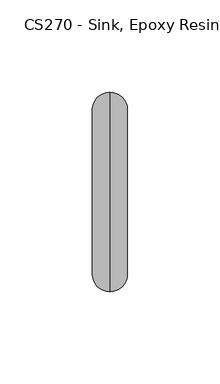
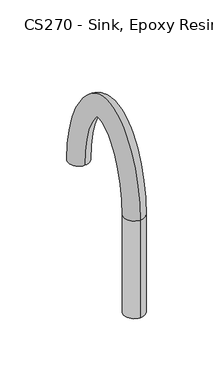
"""IFC4 building model written with IfcOpenShell, lengths in millimetres: proxy geometry, CS270 - Sink, Epoxy Resin, 11x18x15 ID : CS270 - Sink, Epoxy Resin, 11x18x15 ID."""

from ifc_helpers import new_model, si_unit, frame, origin, place, context, project, spatial, circle_curve, source, transform, mapped, element, save
from ifc_brep_helpers import plane_surface, cylinder_surface, spline_curve, spline_surface, advanced_brep


def cs270_sink_epoxy_resin_11x18x15_id_cs270_sink_epoxy_resin_8ce438ac(model_context):
    return source(origin(), model_context, "Body", "AdvancedBrep", [
        advanced_brep(
        [(0.0, -223.0285319, 893.7625), (0.0, -242.0785319, 893.7625), (0.0, -242.0785319, 989.0125), (0.0, -223.0285319, 989.0125), (0.0, -153.1785319, 989.0125), (0.0, -134.1285319, 989.0125)],
        [
            (0, 1, circle_curve(frame((0.0, -232.5535319, 893.7625), z_axis=(0.0, 0.0, -1.0), x_axis=(0.0, -1.0, 0.0)), 9.525)),
            (1, 0, circle_curve(frame((0.0, -232.5535319, 893.7625), z_axis=(0.0, 0.0, -1.0), x_axis=(0.0, -1.0, 0.0)), 9.525)),
            (1, 2),
            (2, 3, circle_curve(frame((0.0, -232.5535319, 989.0125), z_axis=(0.0, 0.0, -1.0), x_axis=(0.0, -1.0, 0.0)), 9.525)),
            (3, 0),
            (3, 2, circle_curve(frame((0.0, -232.5535319, 989.0125), z_axis=(0.0, 0.0, -1.0), x_axis=(0.0, -1.0, 0.0)), 9.525)),
            (4, 5, spline_curve(3, [(0.0, -153.1785319, 989.0125), (-0.623409792, -153.1785319, 989.0125), (-1.246782915, -153.117081977, 989.0125), (-2.469687685, -152.873941423, 989.0125), (-3.06921934, -152.692250748, 989.0125), (-4.796740421, -151.975951704, 989.0125), (-5.853656058, -151.270116179, 989.0125), (-7.616728142, -149.507331821, 989.0125), (-8.322884533, -148.450383046, 989.0125), (-9.277020467, -146.146800154, 989.0125), (-9.525, -144.900166021, 989.0125), (-9.525, -142.406897779, 989.0125), (-9.277020467, -141.160263646, 989.0125), (-8.322884533, -138.856680754, 989.0125), (-7.616728142, -137.799731979, 989.0125), (-5.853656058, -136.036947621, 989.0125), (-4.796740421, -135.331111996, 989.0125), (-3.06921934, -134.614812952, 989.0125), (-2.469687685, -134.433122377, 989.0125), (-1.246782915, -134.189981823, 989.0125), (-0.623409792, -134.1285319, 989.0125), (0.0, -134.1285319, 989.0125)], [4, 2, 2, 2, 2, 2, 2, 2, 2, 2, 4], [0.0, 0.0625, 0.125, 0.25, 0.375, 0.5, 0.625, 0.75, 0.875, 0.9375, 1.0])),
            (5, 4, spline_curve(3, [(0.0, -134.1285319, 989.0125), (0.623409792, -134.1285319, 989.0125), (1.246782915, -134.189981823, 989.0125), (2.469687685, -134.433122377, 989.0125), (3.06921934, -134.614812952, 989.0125), (4.796740421, -135.331111996, 989.0125), (5.853656058, -136.036947621, 989.0125), (7.616728142, -137.799731979, 989.0125), (8.322884533, -138.856680754, 989.0125), (9.277020467, -141.160263646, 989.0125), (9.525, -142.406897779, 989.0125), (9.525, -144.900166021, 989.0125), (9.277020467, -146.146800154, 989.0125), (8.322884533, -148.450383046, 989.0125), (7.616728142, -149.507331821, 989.0125), (5.853656058, -151.270116179, 989.0125), (4.796740421, -151.975951704, 989.0125), (3.06921934, -152.692250748, 989.0125), (2.469687685, -152.873941423, 989.0125), (1.246782915, -153.117081977, 989.0125), (0.623409792, -153.1785319, 989.0125), (0.0, -153.1785319, 989.0125)], [4, 2, 2, 2, 2, 2, 2, 2, 2, 2, 4], [0.0, 0.0625, 0.125, 0.25, 0.375, 0.5, 0.625, 0.75, 0.875, 0.9375, 1.0])),
            (2, 5, spline_curve(3, [(0.0, -242.0785319, 989.0125), (0.0, -242.0785319, 999.714368099), (0.0, -240.842293967, 1010.41337701), (0.0, -236.014789833, 1030.40677179), (0.0, -232.423523574, 1039.701157625), (0.0, -225.431121663, 1051.689533487), (0.0, -222.832737354, 1055.360125009), (0.0, -217.115178446, 1061.909255991), (0.0, -213.996003865, 1064.787795525), (0.0, -207.260909735, 1069.568901675), (0.0, -203.644990178, 1071.471468314), (0.0, -196.053891022, 1074.055767486), (0.0, -192.07871145, 1074.7375), (0.0, -184.12835235, 1074.7375), (0.0, -180.153172778, 1074.055767486), (0.0, -172.562073622, 1071.471468314), (0.0, -168.946153965, 1069.568901675), (0.0, -162.211059835, 1064.787795525), (0.0, -159.091885354, 1061.909255991), (0.0, -153.374326446, 1055.360125009), (0.0, -150.775942037, 1051.689533487), (0.0, -143.783540126, 1039.701157625), (0.0, -140.192273867, 1030.40677179), (0.0, -135.364769733, 1010.41337701), (0.0, -134.1285319, 999.714368099), (0.0, -134.1285319, 989.0125)], [4, 2, 2, 2, 2, 2, 2, 2, 2, 2, 2, 2, 4], [-5.551115123125785e-15, 0.39269908169871887, 0.7853981633974433, 0.9817477042468055, 1.1780972450961678, 1.3744467859455298, 1.5707963267948921, 1.7671458676442544, 1.9634954084936167, 2.159844949342979, 2.3561944901923413, 2.748893571891066, 3.14159265358979])),
            (4, 3, spline_curve(3, [(0.0, -153.1785319, 989.0125), (0.0, -153.1785319, 998.259745251), (0.0, -154.256143503, 1007.506767882), (0.0, -158.335159497, 1024.364993518), (0.0, -161.336563894, 1031.976196528), (0.0, -166.681912303, 1041.153899536), (0.0, -168.604235357, 1043.839950261), (0.0, -172.563292843, 1048.372606539), (0.0, -174.600027279, 1050.21921211), (0.0, -178.615772121, 1053.07257229), (0.0, -180.594782529, 1054.079326966), (0.0, -184.417039271, 1055.386790834), (0.0, -186.26028561, 1055.6875), (0.0, -189.94677819, 1055.6875), (0.0, -191.790024429, 1055.386790834), (0.0, -195.612281171, 1054.079326966), (0.0, -197.591291679, 1053.07257229), (0.0, -201.607036521, 1050.21921211), (0.0, -203.643770857, 1048.372606539), (0.0, -207.602828343, 1043.839950261), (0.0, -209.525151497, 1041.153899536), (0.0, -214.870499906, 1031.976196528), (0.0, -217.871904303, 1024.364993518), (0.0, -221.950920297, 1007.506767882), (0.0, -223.0285319, 998.259745251), (0.0, -223.0285319, 989.0125)], [4, 2, 2, 2, 2, 2, 2, 2, 2, 2, 2, 2, 4], [-5.773159728050814e-15, 0.39269908169871837, 0.785398163397443, 0.9817477042468052, 1.1780972450961675, 1.3744467859455298, 1.5707963267948921, 1.7671458676442544, 1.9634954084936165, 2.159844949342979, 2.356194490192341, 2.7488935718910654, 3.14159265358979])),
        ],
        [
            plane_surface(frame((0.0, -232.5535319, 893.7625), z_axis=(0.0, 0.0, -1.0), x_axis=(-1.0, 0.0, 0.0))),
            cylinder_surface(frame((0.0, -232.5535319, 893.7625), z_axis=(0.0, 0.0, -1.0), x_axis=(0.0, -1.0, 0.0)), 9.525),
            plane_surface(frame((0.0, -143.6535319, 989.0125), z_axis=(0.0, 0.0, -1.0), x_axis=(-1.0, 0.0, 0.0))),
            spline_surface(3, 3, [[(0.0, -223.0285319, 989.0125), (0.0, -223.0285319, 998.259745251), (0.0, -221.950920301, 1007.506767878), (0.0, -217.871904299, 1024.364993522), (0.0, -214.870499902, 1031.976196531), (0.0, -209.525151499, 1041.153899535), (0.0, -207.602828343, 1043.839950264), (0.0, -203.643770857, 1048.372606536), (0.0, -201.60703652, 1050.219212109), (0.0, -197.59129168, 1053.072572291), (0.0, -195.612281173, 1054.079326967), (0.0, -191.790024427, 1055.386790833), (0.0, -189.946778187, 1055.6875), (0.0, -186.260285613, 1055.6875), (0.0, -184.417039273, 1055.386790833), (0.0, -180.594782527, 1054.079326967), (0.0, -178.61577212, 1053.072572291), (0.0, -174.60002728, 1050.219212109), (0.0, -172.563292843, 1048.372606536), (0.0, -168.604235357, 1043.839950264), (0.0, -166.681912301, 1041.153899535), (0.0, -161.336563898, 1031.976196531), (0.0, -158.335159501, 1024.364993522), (0.0, -154.256143499, 1007.506767878), (0.0, -153.1785319, 998.259745251), (0.0, -153.1785319, 989.0125)], [(-0.623409792, -223.0285319, 989.0125), (-0.623409792, -223.0285319, 998.259745251), (-0.623409792, -221.950920301, 1007.506767878), (-0.623409792, -217.871904299, 1024.364993522), (-0.623409792, -214.870499902, 1031.976196531), (-0.623409792, -209.525151499, 1041.153899535), (-0.623409792, -207.602828343, 1043.839950264), (-0.623409792, -203.643770857, 1048.372606536), (-0.623409792, -201.60703652, 1050.219212109), (-0.623409792, -197.59129168, 1053.072572291), (-0.623409792, -195.612281173, 1054.079326967), (-0.623409792, -191.790024427, 1055.386790833), (-0.623409792, -189.946778187, 1055.6875), (-0.623409792, -186.260285613, 1055.6875), (-0.623409792, -184.417039273, 1055.386790833), (-0.623409792, -180.594782527, 1054.079326967), (-0.623409792, -178.61577212, 1053.072572291), (-0.623409792, -174.60002728, 1050.219212109), (-0.623409792, -172.563292843, 1048.372606536), (-0.623409792, -168.604235357, 1043.839950264), (-0.623409792, -166.681912301, 1041.153899535), (-0.623409792, -161.336563898, 1031.976196531), (-0.623409792, -158.335159501, 1024.364993522), (-0.623409792, -154.256143499, 1007.506767878), (-0.623409792, -153.1785319, 998.259745251), (-0.623409792, -153.1785319, 989.0125)], [(-1.246782915, -223.089981824, 989.0125), (-1.246782915, -223.089981824, 998.264433564), (-1.246782915, -222.011832399, 1007.516132435), (-1.246782915, -217.930454224, 1024.384493962), (-1.246782915, -214.927145651, 1032.001127525), (-1.246782915, -209.576447365, 1041.187878328), (-1.246782915, -207.651952354, 1043.877108058), (-1.246782915, -203.687229325, 1048.416275066), (-1.246782915, -201.647011062, 1050.266208538), (-1.246782915, -197.622471947, 1053.125782516), (-1.246782915, -195.638190046, 1054.135456373), (-1.246782915, -191.803780814, 1055.446984288), (-1.246782915, -189.953614569, 1055.748949924), (-1.246782915, -186.253449231, 1055.748949924), (-1.246782915, -184.403282886, 1055.446984288), (-1.246782915, -180.568873654, 1054.135456373), (-1.246782915, -178.584591853, 1053.125782516), (-1.246782915, -174.560052738, 1050.266208538), (-1.246782915, -172.519834475, 1048.416275066), (-1.246782915, -168.555111446, 1043.877108058), (-1.246782915, -166.630616435, 1041.187878328), (-1.246782915, -161.279918149, 1032.001127525), (-1.246782915, -158.276609576, 1024.384493962), (-1.246782915, -154.195231401, 1007.516132435), (-1.246782915, -153.117081976, 998.264433564), (-1.246782915, -153.117081976, 989.0125)], [(-2.469687685, -223.333122376, 989.0125), (-2.469687685, -223.333122376, 998.283007108), (-2.469687685, -222.253000599, 1007.553253023), (-2.469687685, -218.161964779, 1024.46158418), (-2.469687685, -215.1511306, 1032.099698543), (-2.469687685, -209.779484409, 1041.322360038), (-2.469687685, -207.846342887, 1044.024149472), (-2.469687685, -203.859161833, 1048.589041005), (-2.469687685, -201.805112546, 1050.452146931), (-2.469687685, -197.745910445, 1053.336334415), (-2.469687685, -195.740718526, 1054.357382545), (-2.469687685, -191.858197014, 1055.685316393), (-2.469687685, -189.980906306, 1055.992090476), (-2.469687685, -186.226157494, 1055.992090476), (-2.469687685, -184.348866686, 1055.685316393), (-2.469687685, -180.466345174, 1054.357382545), (-2.469687685, -178.461153355, 1053.336334415), (-2.469687685, -174.401951254, 1050.452146931), (-2.469687685, -172.347901967, 1048.589041005), (-2.469687685, -168.360720913, 1044.024149472), (-2.469687685, -166.427579391, 1041.322360038), (-2.469687685, -161.0559332, 1032.099698543), (-2.469687685, -158.045099021, 1024.46158418), (-2.469687685, -153.954063201, 1007.553253023), (-2.469687685, -152.873941424, 998.283007108), (-2.469687685, -152.873941424, 989.0125)], [(-3.06921934, -223.514812953, 989.0125), (-3.06921934, -223.514812953, 998.296891879), (-3.06921934, -222.433106852, 1007.580916904), (-3.06921934, -218.335075292, 1024.519266194), (-3.06921934, -215.318633832, 1032.173383362), (-3.06921934, -209.931143584, 1041.422840552), (-3.06921934, -207.991602616, 1044.133998993), (-3.06921934, -203.987642655, 1048.71817253), (-3.06921934, -201.923327504, 1050.591087432), (-3.06921934, -197.838080541, 1053.493677511), (-3.06921934, -195.817353489, 1054.523332277), (-3.06921934, -191.898841535, 1055.863302095), (-3.06921934, -190.001152731, 1056.173781153), (-3.06921934, -186.205911069, 1056.173781153), (-3.06921934, -184.308222265, 1055.863302095), (-3.06921934, -180.389710311, 1054.523332277), (-3.06921934, -178.368983159, 1053.493677511), (-3.06921934, -174.283736196, 1050.591087432), (-3.06921934, -172.219421045, 1048.71817253), (-3.06921934, -168.215461084, 1044.133998993), (-3.06921934, -166.275920216, 1041.422840552), (-3.06921934, -160.888429968, 1032.173383362), (-3.06921934, -157.871988508, 1024.519266194), (-3.06921934, -153.773956948, 1007.580916904), (-3.06921934, -152.692250747, 998.296891879), (-3.06921934, -152.692250747, 989.0125)], [(-4.79674042, -224.231111995, 989.0125), (-4.79674042, -224.231111995, 998.351541853), (-4.79674042, -223.143577551, 1007.69034862), (-4.79674042, -219.017129762, 1024.746302785), (-4.79674042, -215.978448624, 1032.463864336), (-4.79674042, -210.529322187, 1041.818983565), (-4.79674042, -208.56424146, 1044.567234457), (-4.79674042, -204.494201998, 1049.227098698), (-4.79674042, -202.389035356, 1051.13891247), (-4.79674042, -198.201797553, 1054.113924245), (-4.79674042, -196.119316977, 1055.177163273), (-4.79674042, -192.059241576, 1056.565405183), (-4.79674042, -190.081454734, 1056.890080195), (-4.79674042, -186.125609066, 1056.890080195), (-4.79674042, -184.147822224, 1056.565405183), (-4.79674042, -180.087746823, 1055.177163273), (-4.79674042, -178.005266147, 1054.113924245), (-4.79674042, -173.818028344, 1051.13891247), (-4.79674042, -171.712861702, 1049.227098698), (-4.79674042, -167.64282224, 1044.567234457), (-4.79674042, -165.677741613, 1041.818983565), (-4.79674042, -160.228615176, 1032.463864336), (-4.79674042, -157.189934038, 1024.746302785), (-4.79674042, -153.063486249, 1007.69034862), (-4.79674042, -151.975951705, 998.351541853), (-4.79674042, -151.975951705, 989.0125)], [(-5.853656058, -224.936947622, 989.0125), (-5.853656058, -224.936947622, 998.405449845), (-5.853656058, -223.843258058, 1007.797857205), (-5.853656058, -219.689632735, 1024.970347423), (-5.853656058, -216.62913548, 1032.750155384), (-5.853656058, -211.11850756, 1042.209313237), (-5.853656058, -209.128530968, 1044.994004344), (-5.853656058, -204.993346243, 1049.72872771), (-5.853656058, -202.848244934, 1051.678692815), (-5.853656058, -198.559896944, 1054.725152961), (-5.853656058, -196.416987746, 1055.821853409), (-5.853656058, -192.217180235, 1057.256842012), (-5.853656058, -190.160073416, 1057.595915722), (-5.853656058, -186.046990384, 1057.595915722), (-5.853656058, -183.989883465, 1057.256842012), (-5.853656058, -179.790075954, 1055.821853409), (-5.853656058, -177.647166856, 1054.725152961), (-5.853656058, -173.358818866, 1051.678692815), (-5.853656058, -171.213717557, 1049.72872771), (-5.853656058, -167.078532832, 1044.994004344), (-5.853656058, -165.08855624, 1042.209313237), (-5.853656058, -159.57792832, 1032.750155384), (-5.853656058, -156.517430965, 1024.970347423), (-5.853656058, -152.363805642, 1007.797857205), (-5.853656058, -151.270116178, 998.405449845), (-5.853656058, -151.270116178, 989.0125)], [(-7.616728142, -226.699731978, 989.0125), (-7.616728142, -226.699731978, 998.540089825), (-7.616728142, -225.591737694, 1008.06700466), (-7.616728142, -221.368103913, 1025.529235512), (-7.616728142, -218.253025927, 1033.464826464), (-7.616728142, -212.590546237, 1043.184301639), (-7.616728142, -210.537862888, 1046.0600773), (-7.616728142, -206.239879501, 1050.981278247), (-7.616728142, -203.994472589, 1053.026770742), (-7.616728142, -199.454851933, 1056.251654682), (-7.616728142, -197.160300593, 1057.430840724), (-7.616728142, -192.611726226, 1058.984756255), (-7.616728142, -190.357911754, 1059.358700078), (-7.616728142, -185.849152046, 1059.358700078), (-7.616728142, -183.595337474, 1058.984756255), (-7.616728142, -179.046763107, 1057.430840724), (-7.616728142, -176.752211867, 1056.251654682), (-7.616728142, -172.212591211, 1053.026770742), (-7.616728142, -169.967184299, 1050.981278247), (-7.616728142, -165.669200912, 1046.0600773), (-7.616728142, -163.616517563, 1043.184301639), (-7.616728142, -157.954037873, 1033.464826464), (-7.616728142, -154.838959787, 1025.529235512), (-7.616728142, -150.615326006, 1008.06700466), (-7.616728142, -149.507331822, 998.540089825), (-7.616728142, -149.507331822, 989.0125)], [(-8.322884533, -227.756680753, 989.0125), (-8.322884533, -227.756680753, 998.620768837), (-8.322884533, -226.639458306, 1008.228041581), (-8.322884533, -222.375150471, 1025.864680961), (-8.322884533, -219.227358325, 1033.893589142), (-8.322884533, -213.472835162, 1043.768769122), (-8.322884533, -211.382827056, 1046.699172326), (-8.322884533, -206.987346891, 1051.732407872), (-8.322884533, -204.682070563, 1053.835090999), (-8.322884533, -199.991127819, 1057.166904984), (-8.322884533, -197.605987267, 1058.396247327), (-8.322884533, -192.848289018, 1060.020124228), (-8.322884533, -190.475572927, 1060.415648853), (-8.322884533, -185.731490873, 1060.415648853), (-8.322884533, -183.358774782, 1060.020124228), (-8.322884533, -178.601076533, 1058.396247327), (-8.322884533, -176.215935981, 1057.166904984), (-8.322884533, -171.524993237, 1053.835090999), (-8.322884533, -169.219716909, 1051.732407872), (-8.322884533, -164.824236744, 1046.699172326), (-8.322884533, -162.734228638, 1043.768769122), (-8.322884533, -156.979705475, 1033.893589142), (-8.322884533, -153.831913229, 1025.864680961), (-8.322884533, -149.567605394, 1008.228041581), (-8.322884533, -148.450383047, 998.620768837), (-8.322884533, -148.450383047, 989.0125)], [(-9.277020467, -230.060263647, 989.0125), (-9.277020467, -230.060263647, 998.796684449), (-9.277020467, -228.924340159, 1008.579792249), (-9.277020467, -224.568561864, 1026.594996009), (-9.277020467, -221.349413892, 1034.827550503), (-9.277020467, -215.39648683, 1045.042851455), (-9.277020467, -213.22450486, 1048.092322978), (-9.277020467, -208.616317992, 1053.369203224), (-9.277020467, -206.179917361, 1055.596761056), (-9.277020467, -201.160671057, 1059.161696961), (-9.277020467, -198.577299511, 1060.498863613), (-9.277020467, -193.363915404, 1062.278126032), (-9.277020467, -190.734061172, 1062.719231747), (-9.277020467, -185.473002628, 1062.719231747), (-9.277020467, -182.843148396, 1062.278126032), (-9.277020467, -177.629764289, 1060.498863613), (-9.277020467, -175.046392743, 1059.161696961), (-9.277020467, -170.027146439, 1055.596761056), (-9.277020467, -167.590745808, 1053.369203224), (-9.277020467, -162.98255894, 1048.092322978), (-9.277020467, -160.81057697, 1045.042851455), (-9.277020467, -154.857649908, 1034.827550503), (-9.277020467, -151.638501836, 1026.594996009), (-9.277020467, -147.282723541, 1008.579792249), (-9.277020467, -146.146800153, 998.796684449), (-9.277020467, -146.146800153, 989.0125)], [(-9.525, -231.306897777, 989.0125), (-9.525, -231.306897777, 998.891851832), (-9.525, -230.160092377, 1008.769719446), (-9.525, -225.756335764, 1026.990652093), (-9.525, -222.498611875, 1035.333249025), (-9.525, -216.437112134, 1045.732216317), (-9.525, -214.221116106, 1048.846106786), (-9.525, -209.497923947, 1054.255140852), (-9.525, -206.990923793, 1056.550140476), (-9.525, -201.793180915, 1060.241208969), (-9.525, -199.102983338, 1061.637522868), (-9.525, -193.642920793, 1063.499310351), (-9.525, -190.872851988, 1063.965865877), (-9.525, -185.334211812, 1063.965865877), (-9.525, -182.564143007, 1063.499310351), (-9.525, -177.104080462, 1061.637522868), (-9.525, -174.413882885, 1060.241208969), (-9.525, -169.216140007, 1056.550140476), (-9.525, -166.709139753, 1054.255140852), (-9.525, -161.985947594, 1048.846106786), (-9.525, -159.769951666, 1045.732216317), (-9.525, -153.708451925, 1035.333249025), (-9.525, -150.450728036, 1026.990652093), (-9.525, -146.046971423, 1008.769719446), (-9.525, -144.900166023, 998.891851832), (-9.525, -144.900166023, 989.0125)], [(-9.525, -233.800166023, 989.0125), (-9.525, -233.800166023, 999.082261518), (-9.525, -232.633121891, 1009.15042534), (-9.525, -228.130358367, 1027.781113121), (-9.525, -224.795411603, 1036.344105128), (-9.525, -218.519161027, 1047.111216707), (-9.525, -216.214449491, 1050.353968586), (-9.525, -211.261025256, 1056.026721775), (-9.525, -208.612116691, 1058.456867156), (-9.525, -203.059020601, 1062.400264999), (-9.525, -200.154288016, 1063.913272412), (-9.525, -194.200994653, 1065.943247968), (-9.525, -191.152637649, 1066.459134123), (-9.525, -185.054426151, 1066.459134123), (-9.525, -182.006069147, 1065.943247968), (-9.525, -176.052775784, 1063.913272412), (-9.525, -173.148043199, 1062.400264999), (-9.525, -167.594947109, 1058.456867156), (-9.525, -164.946038444, 1056.026721775), (-9.525, -159.992614209, 1050.353968586), (-9.525, -157.687902773, 1047.111216707), (-9.525, -151.411652197, 1036.344105128), (-9.525, -148.076705433, 1027.781113121), (-9.525, -143.573941909, 1009.15042534), (-9.525, -142.406897777, 999.082261518), (-9.525, -142.406897777, 989.0125)], [(-9.277020467, -235.046800153, 989.0125), (-9.277020467, -235.046800153, 999.177428902), (-9.277020467, -233.86887411, 1009.340352638), (-9.277020467, -229.318132267, 1028.176769304), (-9.277020467, -225.944609685, 1036.849803749), (-9.277020467, -219.559786432, 1047.800581669), (-9.277020467, -217.211060836, 1051.107752294), (-9.277020467, -212.142631311, 1056.912659303), (-9.277020467, -209.423123123, 1059.410246476), (-9.277020467, -203.691530459, 1063.479776907), (-9.277020467, -200.679971843, 1065.051931668), (-9.277020467, -194.480000042, 1067.164432287), (-9.277020467, -191.291428465, 1067.705768253), (-9.277020467, -184.915635335, 1067.705768253), (-9.277020467, -181.727063658, 1067.164432287), (-9.277020467, -175.527091857, 1065.051931668), (-9.277020467, -172.515533341, 1063.479776907), (-9.277020467, -166.783940677, 1059.410246476), (-9.277020467, -164.064432489, 1056.912659303), (-9.277020467, -158.996002964, 1051.107752294), (-9.277020467, -156.647277368, 1047.800581669), (-9.277020467, -150.262454115, 1036.849803749), (-9.277020467, -146.888931533, 1028.176769304), (-9.277020467, -142.33818969, 1009.340352638), (-9.277020467, -141.160263647, 999.177428902), (-9.277020467, -141.160263647, 989.0125)], [(-8.322884533, -237.350383047, 989.0125), (-8.322884533, -237.350383047, 999.353344513), (-8.322884533, -236.153755963, 1009.692103305), (-8.322884533, -231.511543661, 1028.907084353), (-8.322884533, -228.066665253, 1037.783765111), (-8.322884533, -221.483438099, 1049.074664001), (-8.322884533, -219.05273864, 1052.500902947), (-8.322884533, -213.771602412, 1058.549454656), (-8.322884533, -210.920969921, 1061.171916533), (-8.322884533, -204.861073697, 1065.474568884), (-8.322884533, -201.651284087, 1067.154547954), (-8.322884533, -194.995626428, 1069.422434091), (-8.322884533, -191.54991671, 1070.009351147), (-8.322884533, -184.65714709, 1070.009351147), (-8.322884533, -181.211437272, 1069.422434091), (-8.322884533, -174.555779613, 1067.154547954), (-8.322884533, -171.345990103, 1065.474568884), (-8.322884533, -165.286093879, 1061.171916533), (-8.322884533, -162.435461388, 1058.549454656), (-8.322884533, -157.15432516, 1052.500902947), (-8.322884533, -154.723625701, 1049.074664001), (-8.322884533, -148.140398547, 1037.783765111), (-8.322884533, -144.695520139, 1028.907084353), (-8.322884533, -140.053307837, 1009.692103305), (-8.322884533, -138.856680753, 999.353344513), (-8.322884533, -138.856680753, 989.0125)], [(-7.616728142, -238.407331822, 989.0125), (-7.616728142, -238.407331822, 999.434023525), (-7.616728142, -237.201476575, 1009.853140226), (-7.616728142, -232.518590218, 1029.242529802), (-7.616728142, -229.04099755, 1038.212527789), (-7.616728142, -222.365726925, 1049.659131485), (-7.616728142, -219.897702808, 1053.139997973), (-7.616728142, -214.519069803, 1059.300584281), (-7.616728142, -211.608567795, 1061.98023689), (-7.616728142, -205.397349483, 1066.389819286), (-7.616728142, -202.096970761, 1068.119954456), (-7.616728142, -195.23218922, 1070.457801965), (-7.616728142, -191.667577883, 1071.066299922), (-7.616728142, -184.539485917, 1071.066299922), (-7.616728142, -180.97487458, 1070.457801965), (-7.616728142, -174.110093039, 1068.119954456), (-7.616728142, -170.809714317, 1066.389819286), (-7.616728142, -164.598496005, 1061.98023689), (-7.616728142, -161.687993997, 1059.300584281), (-7.616728142, -156.309360992, 1053.139997973), (-7.616728142, -153.841336775, 1049.659131485), (-7.616728142, -147.16606615, 1038.212527789), (-7.616728142, -143.688473582, 1029.242529802), (-7.616728142, -139.005587225, 1009.853140226), (-7.616728142, -137.799731978, 999.434023525), (-7.616728142, -137.799731978, 989.0125)], [(-5.853656058, -240.170116178, 989.0125), (-5.853656058, -240.170116178, 999.568663505), (-5.853656058, -238.949956211, 1010.122287681), (-5.853656058, -234.197061396, 1029.801417891), (-5.853656058, -230.664887998, 1038.927198869), (-5.853656058, -223.837765601, 1050.634119886), (-5.853656058, -221.307034729, 1054.206070929), (-5.853656058, -215.76560306, 1060.553134817), (-5.853656058, -212.75479545, 1063.328314817), (-5.853656058, -206.292304472, 1067.916321007), (-5.853656058, -202.840283608, 1069.728941772), (-5.853656058, -195.626735211, 1072.185716207), (-5.853656058, -191.86541622, 1072.829084278), (-5.853656058, -184.34164758, 1072.829084278), (-5.853656058, -180.580328589, 1072.185716207), (-5.853656058, -173.366780192, 1069.728941772), (-5.853656058, -169.914759328, 1067.916321007), (-5.853656058, -163.45226835, 1063.328314817), (-5.853656058, -160.44146074, 1060.553134817), (-5.853656058, -154.900029071, 1054.206070929), (-5.853656058, -152.369298099, 1050.634119886), (-5.853656058, -145.542175702, 1038.927198869), (-5.853656058, -142.010002404, 1029.801417891), (-5.853656058, -137.257107589, 1010.122287681), (-5.853656058, -136.036947622, 999.568663505), (-5.853656058, -136.036947622, 989.0125)], [(-4.79674042, -240.875951705, 989.0125), (-4.79674042, -240.875951705, 999.622571498), (-4.79674042, -239.649636818, 1010.229796266), (-4.79674042, -234.869564469, 1030.025462529), (-4.79674042, -231.315574853, 1039.213489817), (-4.79674042, -224.426950974, 1051.024449459), (-4.79674042, -221.871324137, 1054.632840816), (-4.79674042, -216.264747205, 1061.05476383), (-4.79674042, -213.214005028, 1063.868095162), (-4.79674042, -206.650403863, 1068.527549723), (-4.79674042, -203.137954378, 1070.373632008), (-4.79674042, -195.78467387, 1072.877153137), (-4.79674042, -191.944034902, 1073.534919805), (-4.79674042, -184.263028898, 1073.534919805), (-4.79674042, -180.42238993, 1072.877153137), (-4.79674042, -173.069109422, 1070.373632008), (-4.79674042, -169.556659937, 1068.527549723), (-4.79674042, -162.993058772, 1063.868095162), (-4.79674042, -159.942316495, 1061.05476383), (-4.79674042, -154.335739563, 1054.632840816), (-4.79674042, -151.780112726, 1051.024449459), (-4.79674042, -144.891488847, 1039.213489817), (-4.79674042, -141.337499331, 1030.025462529), (-4.79674042, -136.557426982, 1010.229796266), (-4.79674042, -135.331111995, 999.622571498), (-4.79674042, -135.331111995, 989.0125)], [(-3.06921934, -241.592250747, 989.0125), (-3.06921934, -241.592250747, 999.677221472), (-3.06921934, -240.360107517, 1010.339227982), (-3.06921934, -235.551618939, 1030.25249912), (-3.06921934, -231.975389645, 1039.50397079), (-3.06921934, -225.025129577, 1051.420592471), (-3.06921934, -222.443962981, 1055.066076279), (-3.06921934, -216.771306548, 1061.563689998), (-3.06921934, -213.67971288, 1064.4159202), (-3.06921934, -207.014120874, 1069.147796457), (-3.06921934, -203.439917865, 1071.027463004), (-3.06921934, -195.945073911, 1073.579256224), (-3.06921934, -192.024336905, 1074.251218847), (-3.06921934, -184.182726895, 1074.251218847), (-3.06921934, -180.261989889, 1073.579256224), (-3.06921934, -172.767145935, 1071.027463004), (-3.06921934, -169.192942926, 1069.147796457), (-3.06921934, -162.52735092, 1064.4159202), (-3.06921934, -159.435757152, 1061.563689998), (-3.06921934, -153.763100719, 1055.066076279), (-3.06921934, -151.181934123, 1051.420592471), (-3.06921934, -144.231674055, 1039.50397079), (-3.06921934, -140.655444861, 1030.25249912), (-3.06921934, -135.846956283, 1010.339227982), (-3.06921934, -134.614812953, 999.677221472), (-3.06921934, -134.614812953, 989.0125)], [(-2.469687685, -241.773941424, 989.0125), (-2.469687685, -241.773941424, 999.691106243), (-2.469687685, -240.54021367, 1010.366891864), (-2.469687685, -235.724729352, 1030.310181134), (-2.469687685, -232.142892877, 1039.57765571), (-2.469687685, -225.176788752, 1051.521073085), (-2.469687685, -222.589222809, 1055.175925801), (-2.469687685, -216.89978747, 1061.692821523), (-2.469687685, -213.797927838, 1064.554860701), (-2.469687685, -207.10629097, 1069.305139553), (-2.469687685, -203.516552829, 1071.193412635), (-2.469687685, -195.985718431, 1073.757241826), (-2.469687685, -192.044583331, 1074.432909524), (-2.469687685, -184.162480469, 1074.432909524), (-2.469687685, -180.221345369, 1073.757241826), (-2.469687685, -172.690510971, 1071.193412635), (-2.469687685, -169.10077273, 1069.305139553), (-2.469687685, -162.409135862, 1064.554860701), (-2.469687685, -159.30727633, 1061.692821523), (-2.469687685, -153.617840991, 1055.175925801), (-2.469687685, -151.030274948, 1051.521073085), (-2.469687685, -144.064170823, 1039.57765571), (-2.469687685, -140.482334448, 1030.310181134), (-2.469687685, -135.66685013, 1010.366891864), (-2.469687685, -134.433122376, 999.691106243), (-2.469687685, -134.433122376, 989.0125)], [(-1.246782915, -242.017081976, 989.0125), (-1.246782915, -242.017081976, 999.709679786), (-1.246782915, -240.78138187, 1010.404012451), (-1.246782915, -235.956239908, 1030.387271352), (-1.246782915, -232.366877826, 1039.676226727), (-1.246782915, -225.379825796, 1051.655554796), (-1.246782915, -222.783613343, 1055.322967215), (-1.246782915, -217.071719978, 1061.865587461), (-1.246782915, -213.956029323, 1064.740799094), (-1.246782915, -207.229729468, 1069.515691452), (-1.246782915, -203.619081308, 1071.415338807), (-1.246782915, -196.040134632, 1073.995573931), (-1.246782915, -192.071875068, 1074.676050076), (-1.246782915, -184.135188732, 1074.676050076), (-1.246782915, -180.166929168, 1073.995573931), (-1.246782915, -172.587982492, 1071.415338807), (-1.246782915, -168.977334232, 1069.515691452), (-1.246782915, -162.251034377, 1064.740799094), (-1.246782915, -159.135343822, 1061.865587461), (-1.246782915, -153.423450457, 1055.322967215), (-1.246782915, -150.827237904, 1051.655554796), (-1.246782915, -143.840185874, 1039.676226727), (-1.246782915, -140.250823892, 1030.387271352), (-1.246782915, -135.42568193, 1010.404012451), (-1.246782915, -134.189981824, 999.709679786), (-1.246782915, -134.189981824, 989.0125)], [(-0.623409792, -242.0785319, 989.0125), (-0.623409792, -242.0785319, 999.714368099), (-0.623409792, -240.842293967, 1010.413377008), (-0.623409792, -236.014789833, 1030.406771792), (-0.623409792, -232.423523576, 1039.701157622), (-0.623409792, -225.431121662, 1051.689533489), (-0.623409792, -222.832737354, 1055.360125009), (-0.623409792, -217.115178446, 1061.909255991), (-0.623409792, -213.996003864, 1064.787795523), (-0.623409792, -207.260909736, 1069.568901677), (-0.623409792, -203.644990181, 1071.471468313), (-0.623409792, -196.053891019, 1074.055767487), (-0.623409792, -192.078711449, 1074.7375), (-0.623409792, -184.128352351, 1074.7375), (-0.623409792, -180.153172781, 1074.055767487), (-0.623409792, -172.562073619, 1071.471468313), (-0.623409792, -168.946153964, 1069.568901677), (-0.623409792, -162.211059836, 1064.787795523), (-0.623409792, -159.091885354, 1061.909255991), (-0.623409792, -153.374326446, 1055.360125009), (-0.623409792, -150.775942038, 1051.689533489), (-0.623409792, -143.783540124, 1039.701157622), (-0.623409792, -140.192273867, 1030.406771792), (-0.623409792, -135.364769733, 1010.413377008), (-0.623409792, -134.1285319, 999.714368099), (-0.623409792, -134.1285319, 989.0125)], [(0.0, -242.0785319, 989.0125), (0.0, -242.0785319, 999.714368099), (0.0, -240.842293967, 1010.413377008), (0.0, -236.014789833, 1030.406771792), (0.0, -232.423523576, 1039.701157622), (0.0, -225.431121662, 1051.689533489), (0.0, -222.832737354, 1055.360125009), (0.0, -217.115178446, 1061.909255991), (0.0, -213.996003864, 1064.787795523), (0.0, -207.260909736, 1069.568901677), (0.0, -203.644990181, 1071.471468313), (0.0, -196.053891019, 1074.055767487), (0.0, -192.078711449, 1074.7375), (0.0, -184.128352351, 1074.7375), (0.0, -180.153172781, 1074.055767487), (0.0, -172.562073619, 1071.471468313), (0.0, -168.946153964, 1069.568901677), (0.0, -162.211059836, 1064.787795523), (0.0, -159.091885354, 1061.909255991), (0.0, -153.374326446, 1055.360125009), (0.0, -150.775942038, 1051.689533489), (0.0, -143.783540124, 1039.701157622), (0.0, -140.192273867, 1030.406771792), (0.0, -135.364769733, 1010.413377008), (0.0, -134.1285319, 999.714368099), (0.0, -134.1285319, 989.0125)]], [4, 2, 2, 2, 2, 2, 2, 2, 2, 2, 4], [4, 2, 2, 2, 2, 2, 2, 2, 2, 2, 2, 2, 4], [0.0, 0.0625, 0.125, 0.25, 0.375, 0.5, 0.625, 0.75, 0.875, 0.9375, 1.0], [-5.551115123125785e-15, 0.39269908169871887, 0.7853981633974433, 0.9817477042468055, 1.1780972450961678, 1.3744467859455298, 1.5707963267948921, 1.7671458676442544, 1.9634954084936167, 2.159844949342979, 2.3561944901923413, 2.748893571891066, 3.14159265358979]),
            spline_surface(3, 3, [[(0.0, -242.0785319, 989.0125), (0.0, -242.0785319, 999.714368099), (0.0, -240.842293967, 1010.413377008), (0.0, -236.014789833, 1030.406771792), (0.0, -232.423523576, 1039.701157622), (0.0, -225.431121662, 1051.689533489), (0.0, -222.832737354, 1055.360125009), (0.0, -217.115178446, 1061.909255991), (0.0, -213.996003864, 1064.787795523), (0.0, -207.260909736, 1069.568901677), (0.0, -203.644990181, 1071.471468313), (0.0, -196.053891019, 1074.055767487), (0.0, -192.078711449, 1074.7375), (0.0, -184.128352351, 1074.7375), (0.0, -180.153172781, 1074.055767487), (0.0, -172.562073619, 1071.471468313), (0.0, -168.946153964, 1069.568901677), (0.0, -162.211059836, 1064.787795523), (0.0, -159.091885354, 1061.909255991), (0.0, -153.374326446, 1055.360125009), (0.0, -150.775942038, 1051.689533489), (0.0, -143.783540124, 1039.701157622), (0.0, -140.192273867, 1030.406771792), (0.0, -135.364769733, 1010.413377008), (0.0, -134.1285319, 999.714368099), (0.0, -134.1285319, 989.0125)], [(0.623409792, -242.0785319, 989.0125), (0.623409792, -242.0785319, 999.714368099), (0.623409792, -240.842293967, 1010.413377008), (0.623409792, -236.014789833, 1030.406771792), (0.623409792, -232.423523576, 1039.701157622), (0.623409792, -225.431121662, 1051.689533489), (0.623409792, -222.832737354, 1055.360125009), (0.623409792, -217.115178446, 1061.909255991), (0.623409792, -213.996003864, 1064.787795523), (0.623409792, -207.260909736, 1069.568901677), (0.623409792, -203.644990181, 1071.471468313), (0.623409792, -196.053891019, 1074.055767487), (0.623409792, -192.078711449, 1074.7375), (0.623409792, -184.128352351, 1074.7375), (0.623409792, -180.153172781, 1074.055767487), (0.623409792, -172.562073619, 1071.471468313), (0.623409792, -168.946153964, 1069.568901677), (0.623409792, -162.211059836, 1064.787795523), (0.623409792, -159.091885354, 1061.909255991), (0.623409792, -153.374326446, 1055.360125009), (0.623409792, -150.775942038, 1051.689533489), (0.623409792, -143.783540124, 1039.701157622), (0.623409792, -140.192273867, 1030.406771792), (0.623409792, -135.364769733, 1010.413377008), (0.623409792, -134.1285319, 999.714368099), (0.623409792, -134.1285319, 989.0125)], [(1.246782915, -242.017081976, 989.0125), (1.246782915, -242.017081976, 999.709679786), (1.246782915, -240.78138187, 1010.404012451), (1.246782915, -235.956239908, 1030.387271352), (1.246782915, -232.366877826, 1039.676226727), (1.246782915, -225.379825796, 1051.655554796), (1.246782915, -222.783613343, 1055.322967215), (1.246782915, -217.071719978, 1061.865587461), (1.246782915, -213.956029323, 1064.740799094), (1.246782915, -207.229729468, 1069.515691452), (1.246782915, -203.619081308, 1071.415338807), (1.246782915, -196.040134632, 1073.995573931), (1.246782915, -192.071875068, 1074.676050076), (1.246782915, -184.135188732, 1074.676050076), (1.246782915, -180.166929168, 1073.995573931), (1.246782915, -172.587982492, 1071.415338807), (1.246782915, -168.977334232, 1069.515691452), (1.246782915, -162.251034377, 1064.740799094), (1.246782915, -159.135343822, 1061.865587461), (1.246782915, -153.423450457, 1055.322967215), (1.246782915, -150.827237904, 1051.655554796), (1.246782915, -143.840185874, 1039.676226727), (1.246782915, -140.250823892, 1030.387271352), (1.246782915, -135.42568193, 1010.404012451), (1.246782915, -134.189981824, 999.709679786), (1.246782915, -134.189981824, 989.0125)], [(2.469687685, -241.773941424, 989.0125), (2.469687685, -241.773941424, 999.691106243), (2.469687685, -240.54021367, 1010.366891864), (2.469687685, -235.724729352, 1030.310181134), (2.469687685, -232.142892877, 1039.57765571), (2.469687685, -225.176788752, 1051.521073085), (2.469687685, -222.589222809, 1055.175925801), (2.469687685, -216.89978747, 1061.692821523), (2.469687685, -213.797927838, 1064.554860701), (2.469687685, -207.10629097, 1069.305139553), (2.469687685, -203.516552829, 1071.193412635), (2.469687685, -195.985718431, 1073.757241826), (2.469687685, -192.044583331, 1074.432909524), (2.469687685, -184.162480469, 1074.432909524), (2.469687685, -180.221345369, 1073.757241826), (2.469687685, -172.690510971, 1071.193412635), (2.469687685, -169.10077273, 1069.305139553), (2.469687685, -162.409135862, 1064.554860701), (2.469687685, -159.30727633, 1061.692821523), (2.469687685, -153.617840991, 1055.175925801), (2.469687685, -151.030274948, 1051.521073085), (2.469687685, -144.064170823, 1039.57765571), (2.469687685, -140.482334448, 1030.310181134), (2.469687685, -135.66685013, 1010.366891864), (2.469687685, -134.433122376, 999.691106243), (2.469687685, -134.433122376, 989.0125)], [(3.06921934, -241.592250747, 989.0125), (3.06921934, -241.592250747, 999.677221472), (3.06921934, -240.360107517, 1010.339227982), (3.06921934, -235.551618939, 1030.25249912), (3.06921934, -231.975389645, 1039.50397079), (3.06921934, -225.025129577, 1051.420592471), (3.06921934, -222.443962981, 1055.066076279), (3.06921934, -216.771306548, 1061.563689998), (3.06921934, -213.67971288, 1064.4159202), (3.06921934, -207.014120874, 1069.147796457), (3.06921934, -203.439917865, 1071.027463004), (3.06921934, -195.945073911, 1073.579256224), (3.06921934, -192.024336905, 1074.251218847), (3.06921934, -184.182726895, 1074.251218847), (3.06921934, -180.261989889, 1073.579256224), (3.06921934, -172.767145935, 1071.027463004), (3.06921934, -169.192942926, 1069.147796457), (3.06921934, -162.52735092, 1064.4159202), (3.06921934, -159.435757152, 1061.563689998), (3.06921934, -153.763100719, 1055.066076279), (3.06921934, -151.181934123, 1051.420592471), (3.06921934, -144.231674055, 1039.50397079), (3.06921934, -140.655444861, 1030.25249912), (3.06921934, -135.846956283, 1010.339227982), (3.06921934, -134.614812953, 999.677221472), (3.06921934, -134.614812953, 989.0125)], [(4.79674042, -240.875951705, 989.0125), (4.79674042, -240.875951705, 999.622571498), (4.79674042, -239.649636818, 1010.229796266), (4.79674042, -234.869564469, 1030.025462529), (4.79674042, -231.315574853, 1039.213489817), (4.79674042, -224.426950974, 1051.024449459), (4.79674042, -221.871324137, 1054.632840816), (4.79674042, -216.264747205, 1061.05476383), (4.79674042, -213.214005028, 1063.868095162), (4.79674042, -206.650403863, 1068.527549723), (4.79674042, -203.137954378, 1070.373632008), (4.79674042, -195.78467387, 1072.877153137), (4.79674042, -191.944034902, 1073.534919805), (4.79674042, -184.263028898, 1073.534919805), (4.79674042, -180.42238993, 1072.877153137), (4.79674042, -173.069109422, 1070.373632008), (4.79674042, -169.556659937, 1068.527549723), (4.79674042, -162.993058772, 1063.868095162), (4.79674042, -159.942316495, 1061.05476383), (4.79674042, -154.335739563, 1054.632840816), (4.79674042, -151.780112726, 1051.024449459), (4.79674042, -144.891488847, 1039.213489817), (4.79674042, -141.337499331, 1030.025462529), (4.79674042, -136.557426982, 1010.229796266), (4.79674042, -135.331111995, 999.622571498), (4.79674042, -135.331111995, 989.0125)], [(5.853656058, -240.170116178, 989.0125), (5.853656058, -240.170116178, 999.568663505), (5.853656058, -238.949956211, 1010.122287681), (5.853656058, -234.197061396, 1029.801417891), (5.853656058, -230.664887998, 1038.927198869), (5.853656058, -223.837765601, 1050.634119886), (5.853656058, -221.307034729, 1054.206070929), (5.853656058, -215.76560306, 1060.553134817), (5.853656058, -212.75479545, 1063.328314817), (5.853656058, -206.292304472, 1067.916321007), (5.853656058, -202.840283608, 1069.728941772), (5.853656058, -195.626735211, 1072.185716207), (5.853656058, -191.86541622, 1072.829084278), (5.853656058, -184.34164758, 1072.829084278), (5.853656058, -180.580328589, 1072.185716207), (5.853656058, -173.366780192, 1069.728941772), (5.853656058, -169.914759328, 1067.916321007), (5.853656058, -163.45226835, 1063.328314817), (5.853656058, -160.44146074, 1060.553134817), (5.853656058, -154.900029071, 1054.206070929), (5.853656058, -152.369298099, 1050.634119886), (5.853656058, -145.542175702, 1038.927198869), (5.853656058, -142.010002404, 1029.801417891), (5.853656058, -137.257107589, 1010.122287681), (5.853656058, -136.036947622, 999.568663505), (5.853656058, -136.036947622, 989.0125)], [(7.616728142, -238.407331822, 989.0125), (7.616728142, -238.407331822, 999.434023525), (7.616728142, -237.201476575, 1009.853140226), (7.616728142, -232.518590218, 1029.242529802), (7.616728142, -229.04099755, 1038.212527789), (7.616728142, -222.365726925, 1049.659131485), (7.616728142, -219.897702808, 1053.139997973), (7.616728142, -214.519069803, 1059.300584281), (7.616728142, -211.608567795, 1061.98023689), (7.616728142, -205.397349483, 1066.389819286), (7.616728142, -202.096970761, 1068.119954456), (7.616728142, -195.23218922, 1070.457801965), (7.616728142, -191.667577883, 1071.066299922), (7.616728142, -184.539485917, 1071.066299922), (7.616728142, -180.97487458, 1070.457801965), (7.616728142, -174.110093039, 1068.119954456), (7.616728142, -170.809714317, 1066.389819286), (7.616728142, -164.598496005, 1061.98023689), (7.616728142, -161.687993997, 1059.300584281), (7.616728142, -156.309360992, 1053.139997973), (7.616728142, -153.841336775, 1049.659131485), (7.616728142, -147.16606615, 1038.212527789), (7.616728142, -143.688473582, 1029.242529802), (7.616728142, -139.005587225, 1009.853140226), (7.616728142, -137.799731978, 999.434023525), (7.616728142, -137.799731978, 989.0125)], [(8.322884533, -237.350383047, 989.0125), (8.322884533, -237.350383047, 999.353344513), (8.322884533, -236.153755963, 1009.692103305), (8.322884533, -231.511543661, 1028.907084353), (8.322884533, -228.066665253, 1037.783765111), (8.322884533, -221.483438099, 1049.074664001), (8.322884533, -219.05273864, 1052.500902947), (8.322884533, -213.771602412, 1058.549454656), (8.322884533, -210.920969921, 1061.171916533), (8.322884533, -204.861073697, 1065.474568884), (8.322884533, -201.651284087, 1067.154547954), (8.322884533, -194.995626428, 1069.422434091), (8.322884533, -191.54991671, 1070.009351147), (8.322884533, -184.65714709, 1070.009351147), (8.322884533, -181.211437272, 1069.422434091), (8.322884533, -174.555779613, 1067.154547954), (8.322884533, -171.345990103, 1065.474568884), (8.322884533, -165.286093879, 1061.171916533), (8.322884533, -162.435461388, 1058.549454656), (8.322884533, -157.15432516, 1052.500902947), (8.322884533, -154.723625701, 1049.074664001), (8.322884533, -148.140398547, 1037.783765111), (8.322884533, -144.695520139, 1028.907084353), (8.322884533, -140.053307837, 1009.692103305), (8.322884533, -138.856680753, 999.353344513), (8.322884533, -138.856680753, 989.0125)], [(9.277020467, -235.046800153, 989.0125), (9.277020467, -235.046800153, 999.177428902), (9.277020467, -233.86887411, 1009.340352638), (9.277020467, -229.318132267, 1028.176769304), (9.277020467, -225.944609685, 1036.849803749), (9.277020467, -219.559786432, 1047.800581669), (9.277020467, -217.211060836, 1051.107752294), (9.277020467, -212.142631311, 1056.912659303), (9.277020467, -209.423123123, 1059.410246476), (9.277020467, -203.691530459, 1063.479776907), (9.277020467, -200.679971843, 1065.051931668), (9.277020467, -194.480000042, 1067.164432287), (9.277020467, -191.291428465, 1067.705768253), (9.277020467, -184.915635335, 1067.705768253), (9.277020467, -181.727063658, 1067.164432287), (9.277020467, -175.527091857, 1065.051931668), (9.277020467, -172.515533341, 1063.479776907), (9.277020467, -166.783940677, 1059.410246476), (9.277020467, -164.064432489, 1056.912659303), (9.277020467, -158.996002964, 1051.107752294), (9.277020467, -156.647277368, 1047.800581669), (9.277020467, -150.262454115, 1036.849803749), (9.277020467, -146.888931533, 1028.176769304), (9.277020467, -142.33818969, 1009.340352638), (9.277020467, -141.160263647, 999.177428902), (9.277020467, -141.160263647, 989.0125)], [(9.525, -233.800166023, 989.0125), (9.525, -233.800166023, 999.082261518), (9.525, -232.633121891, 1009.15042534), (9.525, -228.130358367, 1027.781113121), (9.525, -224.795411603, 1036.344105128), (9.525, -218.519161027, 1047.111216707), (9.525, -216.214449491, 1050.353968586), (9.525, -211.261025256, 1056.026721775), (9.525, -208.612116691, 1058.456867156), (9.525, -203.059020601, 1062.400264999), (9.525, -200.154288016, 1063.913272412), (9.525, -194.200994653, 1065.943247968), (9.525, -191.152637649, 1066.459134123), (9.525, -185.054426151, 1066.459134123), (9.525, -182.006069147, 1065.943247968), (9.525, -176.052775784, 1063.913272412), (9.525, -173.148043199, 1062.400264999), (9.525, -167.594947109, 1058.456867156), (9.525, -164.946038444, 1056.026721775), (9.525, -159.992614209, 1050.353968586), (9.525, -157.687902773, 1047.111216707), (9.525, -151.411652197, 1036.344105128), (9.525, -148.076705433, 1027.781113121), (9.525, -143.573941909, 1009.15042534), (9.525, -142.406897777, 999.082261518), (9.525, -142.406897777, 989.0125)], [(9.525, -231.306897777, 989.0125), (9.525, -231.306897777, 998.891851832), (9.525, -230.160092377, 1008.769719446), (9.525, -225.756335764, 1026.990652093), (9.525, -222.498611875, 1035.333249025), (9.525, -216.437112134, 1045.732216317), (9.525, -214.221116106, 1048.846106786), (9.525, -209.497923947, 1054.255140852), (9.525, -206.990923793, 1056.550140476), (9.525, -201.793180915, 1060.241208969), (9.525, -199.102983338, 1061.637522868), (9.525, -193.642920793, 1063.499310351), (9.525, -190.872851988, 1063.965865877), (9.525, -185.334211812, 1063.965865877), (9.525, -182.564143007, 1063.499310351), (9.525, -177.104080462, 1061.637522868), (9.525, -174.413882885, 1060.241208969), (9.525, -169.216140007, 1056.550140476), (9.525, -166.709139753, 1054.255140852), (9.525, -161.985947594, 1048.846106786), (9.525, -159.769951666, 1045.732216317), (9.525, -153.708451925, 1035.333249025), (9.525, -150.450728036, 1026.990652093), (9.525, -146.046971423, 1008.769719446), (9.525, -144.900166023, 998.891851832), (9.525, -144.900166023, 989.0125)], [(9.277020467, -230.060263647, 989.0125), (9.277020467, -230.060263647, 998.796684449), (9.277020467, -228.924340159, 1008.579792249), (9.277020467, -224.568561864, 1026.594996009), (9.277020467, -221.349413892, 1034.827550503), (9.277020467, -215.39648683, 1045.042851455), (9.277020467, -213.22450486, 1048.092322978), (9.277020467, -208.616317992, 1053.369203224), (9.277020467, -206.179917361, 1055.596761056), (9.277020467, -201.160671057, 1059.161696961), (9.277020467, -198.577299511, 1060.498863613), (9.277020467, -193.363915404, 1062.278126032), (9.277020467, -190.734061172, 1062.719231747), (9.277020467, -185.473002628, 1062.719231747), (9.277020467, -182.843148396, 1062.278126032), (9.277020467, -177.629764289, 1060.498863613), (9.277020467, -175.046392743, 1059.161696961), (9.277020467, -170.027146439, 1055.596761056), (9.277020467, -167.590745808, 1053.369203224), (9.277020467, -162.98255894, 1048.092322978), (9.277020467, -160.81057697, 1045.042851455), (9.277020467, -154.857649908, 1034.827550503), (9.277020467, -151.638501836, 1026.594996009), (9.277020467, -147.282723541, 1008.579792249), (9.277020467, -146.146800153, 998.796684449), (9.277020467, -146.146800153, 989.0125)], [(8.322884533, -227.756680753, 989.0125), (8.322884533, -227.756680753, 998.620768837), (8.322884533, -226.639458306, 1008.228041581), (8.322884533, -222.375150471, 1025.864680961), (8.322884533, -219.227358325, 1033.893589142), (8.322884533, -213.472835162, 1043.768769122), (8.322884533, -211.382827056, 1046.699172326), (8.322884533, -206.987346891, 1051.732407872), (8.322884533, -204.682070563, 1053.835090999), (8.322884533, -199.991127819, 1057.166904984), (8.322884533, -197.605987267, 1058.396247327), (8.322884533, -192.848289018, 1060.020124228), (8.322884533, -190.475572927, 1060.415648853), (8.322884533, -185.731490873, 1060.415648853), (8.322884533, -183.358774782, 1060.020124228), (8.322884533, -178.601076533, 1058.396247327), (8.322884533, -176.215935981, 1057.166904984), (8.322884533, -171.524993237, 1053.835090999), (8.322884533, -169.219716909, 1051.732407872), (8.322884533, -164.824236744, 1046.699172326), (8.322884533, -162.734228638, 1043.768769122), (8.322884533, -156.979705475, 1033.893589142), (8.322884533, -153.831913229, 1025.864680961), (8.322884533, -149.567605394, 1008.228041581), (8.322884533, -148.450383047, 998.620768837), (8.322884533, -148.450383047, 989.0125)], [(7.616728142, -226.699731978, 989.0125), (7.616728142, -226.699731978, 998.540089825), (7.616728142, -225.591737694, 1008.06700466), (7.616728142, -221.368103913, 1025.529235512), (7.616728142, -218.253025927, 1033.464826464), (7.616728142, -212.590546237, 1043.184301639), (7.616728142, -210.537862888, 1046.0600773), (7.616728142, -206.239879501, 1050.981278247), (7.616728142, -203.994472589, 1053.026770742), (7.616728142, -199.454851933, 1056.251654682), (7.616728142, -197.160300593, 1057.430840724), (7.616728142, -192.611726226, 1058.984756255), (7.616728142, -190.357911754, 1059.358700078), (7.616728142, -185.849152046, 1059.358700078), (7.616728142, -183.595337474, 1058.984756255), (7.616728142, -179.046763107, 1057.430840724), (7.616728142, -176.752211867, 1056.251654682), (7.616728142, -172.212591211, 1053.026770742), (7.616728142, -169.967184299, 1050.981278247), (7.616728142, -165.669200912, 1046.0600773), (7.616728142, -163.616517563, 1043.184301639), (7.616728142, -157.954037873, 1033.464826464), (7.616728142, -154.838959787, 1025.529235512), (7.616728142, -150.615326006, 1008.06700466), (7.616728142, -149.507331822, 998.540089825), (7.616728142, -149.507331822, 989.0125)], [(5.853656058, -224.936947622, 989.0125), (5.853656058, -224.936947622, 998.405449845), (5.853656058, -223.843258058, 1007.797857205), (5.853656058, -219.689632735, 1024.970347423), (5.853656058, -216.62913548, 1032.750155384), (5.853656058, -211.11850756, 1042.209313237), (5.853656058, -209.128530968, 1044.994004344), (5.853656058, -204.993346243, 1049.72872771), (5.853656058, -202.848244934, 1051.678692815), (5.853656058, -198.559896944, 1054.725152961), (5.853656058, -196.416987746, 1055.821853409), (5.853656058, -192.217180235, 1057.256842012), (5.853656058, -190.160073416, 1057.595915722), (5.853656058, -186.046990384, 1057.595915722), (5.853656058, -183.989883465, 1057.256842012), (5.853656058, -179.790075954, 1055.821853409), (5.853656058, -177.647166856, 1054.725152961), (5.853656058, -173.358818866, 1051.678692815), (5.853656058, -171.213717557, 1049.72872771), (5.853656058, -167.078532832, 1044.994004344), (5.853656058, -165.08855624, 1042.209313237), (5.853656058, -159.57792832, 1032.750155384), (5.853656058, -156.517430965, 1024.970347423), (5.853656058, -152.363805642, 1007.797857205), (5.853656058, -151.270116178, 998.405449845), (5.853656058, -151.270116178, 989.0125)], [(4.79674042, -224.231111995, 989.0125), (4.79674042, -224.231111995, 998.351541853), (4.79674042, -223.143577551, 1007.69034862), (4.79674042, -219.017129762, 1024.746302785), (4.79674042, -215.978448624, 1032.463864336), (4.79674042, -210.529322187, 1041.818983565), (4.79674042, -208.56424146, 1044.567234457), (4.79674042, -204.494201998, 1049.227098698), (4.79674042, -202.389035356, 1051.13891247), (4.79674042, -198.201797553, 1054.113924245), (4.79674042, -196.119316977, 1055.177163273), (4.79674042, -192.059241576, 1056.565405183), (4.79674042, -190.081454734, 1056.890080195), (4.79674042, -186.125609066, 1056.890080195), (4.79674042, -184.147822224, 1056.565405183), (4.79674042, -180.087746823, 1055.177163273), (4.79674042, -178.005266147, 1054.113924245), (4.79674042, -173.818028344, 1051.13891247), (4.79674042, -171.712861702, 1049.227098698), (4.79674042, -167.64282224, 1044.567234457), (4.79674042, -165.677741613, 1041.818983565), (4.79674042, -160.228615176, 1032.463864336), (4.79674042, -157.189934038, 1024.746302785), (4.79674042, -153.063486249, 1007.69034862), (4.79674042, -151.975951705, 998.351541853), (4.79674042, -151.975951705, 989.0125)], [(3.06921934, -223.514812953, 989.0125), (3.06921934, -223.514812953, 998.296891879), (3.06921934, -222.433106852, 1007.580916904), (3.06921934, -218.335075292, 1024.519266194), (3.06921934, -215.318633832, 1032.173383362), (3.06921934, -209.931143584, 1041.422840552), (3.06921934, -207.991602616, 1044.133998993), (3.06921934, -203.987642655, 1048.71817253), (3.06921934, -201.923327504, 1050.591087432), (3.06921934, -197.838080541, 1053.493677511), (3.06921934, -195.817353489, 1054.523332277), (3.06921934, -191.898841535, 1055.863302095), (3.06921934, -190.001152731, 1056.173781153), (3.06921934, -186.205911069, 1056.173781153), (3.06921934, -184.308222265, 1055.863302095), (3.06921934, -180.389710311, 1054.523332277), (3.06921934, -178.368983159, 1053.493677511), (3.06921934, -174.283736196, 1050.591087432), (3.06921934, -172.219421045, 1048.71817253), (3.06921934, -168.215461084, 1044.133998993), (3.06921934, -166.275920216, 1041.422840552), (3.06921934, -160.888429968, 1032.173383362), (3.06921934, -157.871988508, 1024.519266194), (3.06921934, -153.773956948, 1007.580916904), (3.06921934, -152.692250747, 998.296891879), (3.06921934, -152.692250747, 989.0125)], [(2.469687685, -223.333122376, 989.0125), (2.469687685, -223.333122376, 998.283007108), (2.469687685, -222.253000599, 1007.553253023), (2.469687685, -218.161964779, 1024.46158418), (2.469687685, -215.1511306, 1032.099698543), (2.469687685, -209.779484409, 1041.322360038), (2.469687685, -207.846342887, 1044.024149472), (2.469687685, -203.859161833, 1048.589041005), (2.469687685, -201.805112546, 1050.452146931), (2.469687685, -197.745910445, 1053.336334415), (2.469687685, -195.740718526, 1054.357382545), (2.469687685, -191.858197014, 1055.685316393), (2.469687685, -189.980906306, 1055.992090476), (2.469687685, -186.226157494, 1055.992090476), (2.469687685, -184.348866686, 1055.685316393), (2.469687685, -180.466345174, 1054.357382545), (2.469687685, -178.461153355, 1053.336334415), (2.469687685, -174.401951254, 1050.452146931), (2.469687685, -172.347901967, 1048.589041005), (2.469687685, -168.360720913, 1044.024149472), (2.469687685, -166.427579391, 1041.322360038), (2.469687685, -161.0559332, 1032.099698543), (2.469687685, -158.045099021, 1024.46158418), (2.469687685, -153.954063201, 1007.553253023), (2.469687685, -152.873941424, 998.283007108), (2.469687685, -152.873941424, 989.0125)], [(1.246782915, -223.089981824, 989.0125), (1.246782915, -223.089981824, 998.264433564), (1.246782915, -222.011832399, 1007.516132435), (1.246782915, -217.930454224, 1024.384493962), (1.246782915, -214.927145651, 1032.001127525), (1.246782915, -209.576447365, 1041.187878328), (1.246782915, -207.651952354, 1043.877108058), (1.246782915, -203.687229325, 1048.416275066), (1.246782915, -201.647011062, 1050.266208538), (1.246782915, -197.622471947, 1053.125782516), (1.246782915, -195.638190046, 1054.135456373), (1.246782915, -191.803780814, 1055.446984288), (1.246782915, -189.953614569, 1055.748949924), (1.246782915, -186.253449231, 1055.748949924), (1.246782915, -184.403282886, 1055.446984288), (1.246782915, -180.568873654, 1054.135456373), (1.246782915, -178.584591853, 1053.125782516), (1.246782915, -174.560052738, 1050.266208538), (1.246782915, -172.519834475, 1048.416275066), (1.246782915, -168.555111446, 1043.877108058), (1.246782915, -166.630616435, 1041.187878328), (1.246782915, -161.279918149, 1032.001127525), (1.246782915, -158.276609576, 1024.384493962), (1.246782915, -154.195231401, 1007.516132435), (1.246782915, -153.117081976, 998.264433564), (1.246782915, -153.117081976, 989.0125)], [(0.623409792, -223.0285319, 989.0125), (0.623409792, -223.0285319, 998.259745251), (0.623409792, -221.950920301, 1007.506767878), (0.623409792, -217.871904299, 1024.364993522), (0.623409792, -214.870499902, 1031.976196531), (0.623409792, -209.525151499, 1041.153899535), (0.623409792, -207.602828343, 1043.839950264), (0.623409792, -203.643770857, 1048.372606536), (0.623409792, -201.60703652, 1050.219212109), (0.623409792, -197.59129168, 1053.072572291), (0.623409792, -195.612281173, 1054.079326967), (0.623409792, -191.790024427, 1055.386790833), (0.623409792, -189.946778187, 1055.6875), (0.623409792, -186.260285613, 1055.6875), (0.623409792, -184.417039273, 1055.386790833), (0.623409792, -180.594782527, 1054.079326967), (0.623409792, -178.61577212, 1053.072572291), (0.623409792, -174.60002728, 1050.219212109), (0.623409792, -172.563292843, 1048.372606536), (0.623409792, -168.604235357, 1043.839950264), (0.623409792, -166.681912301, 1041.153899535), (0.623409792, -161.336563898, 1031.976196531), (0.623409792, -158.335159501, 1024.364993522), (0.623409792, -154.256143499, 1007.506767878), (0.623409792, -153.1785319, 998.259745251), (0.623409792, -153.1785319, 989.0125)], [(0.0, -223.0285319, 989.0125), (0.0, -223.0285319, 998.259745251), (0.0, -221.950920301, 1007.506767878), (0.0, -217.871904299, 1024.364993522), (0.0, -214.870499902, 1031.976196531), (0.0, -209.525151499, 1041.153899535), (0.0, -207.602828343, 1043.839950264), (0.0, -203.643770857, 1048.372606536), (0.0, -201.60703652, 1050.219212109), (0.0, -197.59129168, 1053.072572291), (0.0, -195.612281173, 1054.079326967), (0.0, -191.790024427, 1055.386790833), (0.0, -189.946778187, 1055.6875), (0.0, -186.260285613, 1055.6875), (0.0, -184.417039273, 1055.386790833), (0.0, -180.594782527, 1054.079326967), (0.0, -178.61577212, 1053.072572291), (0.0, -174.60002728, 1050.219212109), (0.0, -172.563292843, 1048.372606536), (0.0, -168.604235357, 1043.839950264), (0.0, -166.681912301, 1041.153899535), (0.0, -161.336563898, 1031.976196531), (0.0, -158.335159501, 1024.364993522), (0.0, -154.256143499, 1007.506767878), (0.0, -153.1785319, 998.259745251), (0.0, -153.1785319, 989.0125)]], [4, 2, 2, 2, 2, 2, 2, 2, 2, 2, 4], [4, 2, 2, 2, 2, 2, 2, 2, 2, 2, 2, 2, 4], [0.0, 0.0625, 0.125, 0.25, 0.375, 0.5, 0.625, 0.75, 0.875, 0.9375, 1.0], [-5.551115123125785e-15, 0.39269908169871887, 0.7853981633974433, 0.9817477042468055, 1.1780972450961678, 1.3744467859455298, 1.5707963267948921, 1.7671458676442544, 1.9634954084936167, 2.159844949342979, 2.3561944901923413, 2.748893571891066, 3.14159265358979]),
        ],
        [
            (0, [[1, 2]]),
            (1, [[3, 4, 5, -2]]),
            (1, [[-5, 6, -3, -1]]),
            (2, [[7, 8]]),
            (3, [[9, -7, 10, -4]]),
            (4, [[-10, -8, -9, -6]]),
        ],
    ),
    ])


if __name__ == "__main__":
    model = new_model("IFC4")
    model_context = context("Model", 3, world=origin())
    ifc_project = project(units=[si_unit("LENGTHUNIT", "METRE", prefix="MILLI")], contexts=[model_context])
    site = spatial("IfcSite", under=ifc_project)
    building = spatial("IfcBuilding", under=site)
    placement = place(None, origin())
    cs270_sink_epoxy_resin_11x18x15_id_cs270_sink_epoxy_resin_shape = cs270_sink_epoxy_resin_11x18x15_id_cs270_sink_epoxy_resin_8ce438ac(model_context)
    element("IfcBuildingElementProxy", 1, Name="CS270 - Sink, Epoxy Resin, 11x18x15 ID : CS270 - Sink, Epoxy Resin, 11x18x15 ID", ObjectType="CS270 - Sink, Epoxy Resin, 11x18x15 ID : CS270 - Sink, Epoxy Resin, 11x18x15 ID", at=placement, inside=building, context=model_context, shape_type="MappedRepresentation", body=[
        mapped(cs270_sink_epoxy_resin_11x18x15_id_cs270_sink_epoxy_resin_shape, transform((0.0, 0.0, 0.0), x_axis=(1.0, 0.0, 0.0), y_axis=(0.0, 1.0, 0.0), z_axis=(0.0, 0.0, 1.0))),
    ])
    save(model, "model.ifc")
